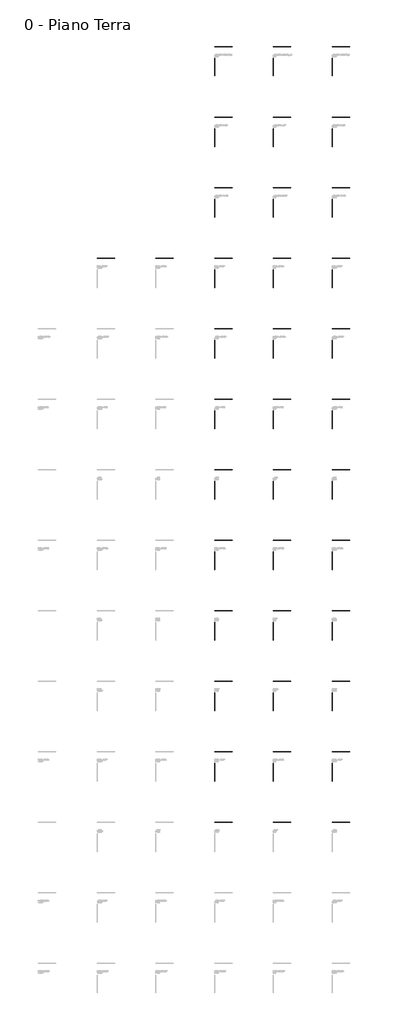
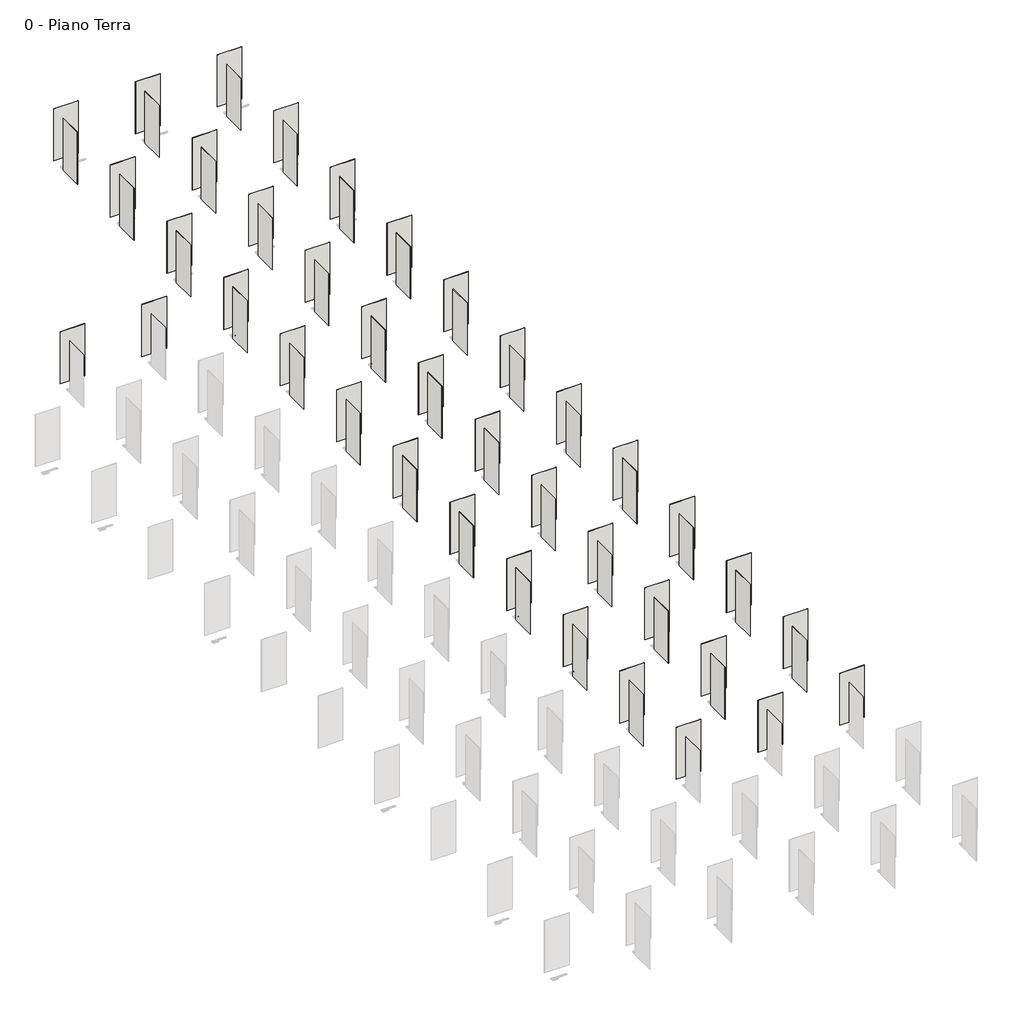
# One storey, part 2 of 35: 71 walls.
"""IFC4 building model written with IfcOpenShell, lengths in millimetres."""

from ifc_helpers import new_model, si_unit, origin, origin_with_axes, place, context, project, spatial, polyline, outline, extrude, element, save

model = new_model("IFC4")

# Units and contexts
model_context = context("Model", 3, world=origin())
ifc_project = project(units=[si_unit("LENGTHUNIT", "METRE", prefix="MILLI")], contexts=[model_context])

# Site, building, storey
site = spatial("IfcSite", under=ifc_project)
building = spatial("IfcBuilding", under=site)
storey = spatial("IfcBuildingStorey", under=building, Name="0 - Piano Terra", Elevation=0.0)

# Walls
placement = place(None, origin())
element("IfcWall", 1, at=placement, inside=storey, context=model_context, shape_type="SweptSolid", body=[
    extrude(outline(polyline([(4220.7418402, 18450.0570886), (2720.7418402, 18450.0570886), (2720.7418402, 18462.0570886), (4220.7418402, 18462.0570886), (4220.7418402, 18450.0570886)])), origin_with_axes(), (0.0, 0.0, 1.0), 3365.0),
])
element("IfcWall", 2, at=placement, inside=storey, context=model_context, shape_type="SweptSolid", body=[
    extrude(outline(polyline([(9220.7418402, 18450.0570886), (7720.7418402, 18450.0570886), (7720.7418402, 18462.0570886), (9220.7418402, 18462.0570886), (9220.7418402, 18450.0570886)])), origin_with_axes(), (0.0, 0.0, 1.0), 3365.0),
])
element("IfcWall", 3, at=placement, inside=storey, context=model_context, shape_type="SweptSolid", body=[
    extrude(outline(polyline([(14220.7418402, 18450.0570886), (12720.7418402, 18450.0570886), (12720.7418402, 18462.0570886), (14220.7418402, 18462.0570886), (14220.7418402, 18450.0570886)])), origin_with_axes(), (0.0, 0.0, 1.0), 3365.0),
])
element("IfcWall", 4, at=placement, inside=storey, context=model_context, shape_type="SweptSolid", body=[
    extrude(outline(polyline([(4220.7418402, 12450.0570886), (2720.7418402, 12450.0570886), (2720.7418402, 12462.0570886), (4220.7418402, 12462.0570886), (4220.7418402, 12450.0570886)])), origin_with_axes(), (0.0, 0.0, 1.0), 3365.0),
])
element("IfcWall", 5, at=placement, inside=storey, context=model_context, shape_type="SweptSolid", body=[
    extrude(outline(polyline([(9220.7418402, 12450.0570886), (7720.7418402, 12450.0570886), (7720.7418402, 12462.0570886), (9220.7418402, 12462.0570886), (9220.7418402, 12450.0570886)])), origin_with_axes(), (0.0, 0.0, 1.0), 3365.0),
])
element("IfcWall", 6, at=placement, inside=storey, context=model_context, shape_type="SweptSolid", body=[
    extrude(outline(polyline([(14220.7418402, 12450.0570886), (12720.7418402, 12450.0570886), (12720.7418402, 12462.0570886), (14220.7418402, 12462.0570886), (14220.7418402, 12450.0570886)])), origin_with_axes(), (0.0, 0.0, 1.0), 3365.0),
])
element("IfcWall", 7, at=placement, inside=storey, context=model_context, shape_type="SweptSolid", body=[
    extrude(outline(polyline([(4220.7418402, 6450.0570886), (2720.7418402, 6450.0570886), (2720.7418402, 6462.0570886), (4220.7418402, 6462.0570886), (4220.7418402, 6450.0570886)])), origin_with_axes(), (0.0, 0.0, 1.0), 3365.0),
])
element("IfcWall", 8, at=placement, inside=storey, context=model_context, shape_type="SweptSolid", body=[
    extrude(outline(polyline([(9220.7418402, 6450.0570886), (7720.7418402, 6450.0570886), (7720.7418402, 6462.0570886), (9220.7418402, 6462.0570886), (9220.7418402, 6450.0570886)])), origin_with_axes(), (0.0, 0.0, 1.0), 3365.0),
])
element("IfcWall", 9, at=placement, inside=storey, context=model_context, shape_type="SweptSolid", body=[
    extrude(outline(polyline([(14220.7418402, 6450.0570886), (12720.7418402, 6450.0570886), (12720.7418402, 6462.0570886), (14220.7418402, 6462.0570886), (14220.7418402, 6450.0570886)])), origin_with_axes(), (0.0, 0.0, 1.0), 3365.0),
])
element("IfcWall", 10, at=placement, inside=storey, context=model_context, shape_type="SweptSolid", body=[
    extrude(outline(polyline([(4220.7418402, 450.0570886), (2720.7418402, 450.0570886), (2720.7418402, 462.0570886), (4220.7418402, 462.0570886), (4220.7418402, 450.0570886)])), origin_with_axes(), (0.0, 0.0, 1.0), 3365.0),
])
element("IfcWall", 11, at=placement, inside=storey, context=model_context, shape_type="SweptSolid", body=[
    extrude(outline(polyline([(9220.7418402, 450.0570886), (7720.7418402, 450.0570886), (7720.7418402, 462.0570886), (9220.7418402, 462.0570886), (9220.7418402, 450.0570886)])), origin_with_axes(), (0.0, 0.0, 1.0), 3365.0),
])
element("IfcWall", 12, at=placement, inside=storey, context=model_context, shape_type="SweptSolid", body=[
    extrude(outline(polyline([(14220.7418402, 450.0570886), (12720.7418402, 450.0570886), (12720.7418402, 462.0570886), (14220.7418402, 462.0570886), (14220.7418402, 450.0570886)])), origin_with_axes(), (0.0, 0.0, 1.0), 3365.0),
])
element("IfcWall", 13, at=placement, inside=storey, context=model_context, shape_type="SweptSolid", body=[
    extrude(outline(polyline([(-779.2581598, 450.0570886), (-2279.2581598, 450.0570886), (-2279.2581598, 462.0570886), (-779.2581598, 462.0570886), (-779.2581598, 450.0570886)])), origin_with_axes(), (0.0, 0.0, 1.0), 3365.0),
])
element("IfcWall", 14, at=placement, inside=storey, context=model_context, shape_type="SweptSolid", body=[
    extrude(outline(polyline([(-5779.2581598, 450.0570886), (-7279.2581598, 450.0570886), (-7279.2581598, 462.0570886), (-5779.2581598, 462.0570886), (-5779.2581598, 450.0570886)])), origin_with_axes(), (0.0, 0.0, 1.0), 3365.0),
])
element("IfcWall", 15, at=placement, inside=storey, context=model_context, shape_type="SweptSolid", body=[
    extrude(outline(polyline([(9220.7418402, -5549.9429114), (7720.7418402, -5549.9429114), (7720.7418402, -5537.9429114), (9220.7418402, -5537.9429114), (9220.7418402, -5549.9429114)])), origin_with_axes(), (0.0, 0.0, 1.0), 3365.0),
])
element("IfcWall", 16, at=placement, inside=storey, context=model_context, shape_type="SweptSolid", body=[
    extrude(outline(polyline([(14220.7418402, -5549.9429114), (12720.7418402, -5549.9429114), (12720.7418402, -5537.9429114), (14220.7418402, -5537.9429114), (14220.7418402, -5549.9429114)])), origin_with_axes(), (0.0, 0.0, 1.0), 3365.0),
])
element("IfcWall", 17, at=placement, inside=storey, context=model_context, shape_type="SweptSolid", body=[
    extrude(outline(polyline([(4220.7418402, -11549.9429114), (2720.7418402, -11549.9429114), (2720.7418402, -11537.9429114), (4220.7418402, -11537.9429114), (4220.7418402, -11549.9429114)])), origin_with_axes(), (0.0, 0.0, 1.0), 3365.0),
])
element("IfcWall", 18, at=placement, inside=storey, context=model_context, shape_type="SweptSolid", body=[
    extrude(outline(polyline([(9220.7418402, -11549.9429114), (7720.7418402, -11549.9429114), (7720.7418402, -11537.9429114), (9220.7418402, -11537.9429114), (9220.7418402, -11549.9429114)])), origin_with_axes(), (0.0, 0.0, 1.0), 3365.0),
])
element("IfcWall", 19, at=placement, inside=storey, context=model_context, shape_type="SweptSolid", body=[
    extrude(outline(polyline([(14220.7418402, -11549.9429114), (12720.7418402, -11549.9429114), (12720.7418402, -11537.9429114), (14220.7418402, -11537.9429114), (14220.7418402, -11549.9429114)])), origin_with_axes(), (0.0, 0.0, 1.0), 3365.0),
])
element("IfcWall", 20, at=placement, inside=storey, context=model_context, shape_type="SweptSolid", body=[
    extrude(outline(polyline([(4220.7418402, -17549.9429114), (2720.7418402, -17549.9429114), (2720.7418402, -17537.9429114), (4220.7418402, -17537.9429114), (4220.7418402, -17549.9429114)])), origin_with_axes(), (0.0, 0.0, 1.0), 3365.0),
])
element("IfcWall", 21, at=placement, inside=storey, context=model_context, shape_type="SweptSolid", body=[
    extrude(outline(polyline([(9220.7418402, -17549.9429114), (7720.7418402, -17549.9429114), (7720.7418402, -17537.9429114), (9220.7418402, -17537.9429114), (9220.7418402, -17549.9429114)])), origin_with_axes(), (0.0, 0.0, 1.0), 3365.0),
])
element("IfcWall", 22, at=placement, inside=storey, context=model_context, shape_type="SweptSolid", body=[
    extrude(outline(polyline([(14220.7418402, -17549.9429114), (12720.7418402, -17549.9429114), (12720.7418402, -17537.9429114), (14220.7418402, -17537.9429114), (14220.7418402, -17549.9429114)])), origin_with_axes(), (0.0, 0.0, 1.0), 3365.0),
])
element("IfcWall", 23, at=placement, inside=storey, context=model_context, shape_type="SweptSolid", body=[
    extrude(outline(polyline([(4220.7418402, -23549.9429114), (2720.7418402, -23549.9429114), (2720.7418402, -23537.9429114), (4220.7418402, -23537.9429114), (4220.7418402, -23549.9429114)])), origin_with_axes(), (0.0, 0.0, 1.0), 3365.0),
])
element("IfcWall", 24, at=placement, inside=storey, context=model_context, shape_type="SweptSolid", body=[
    extrude(outline(polyline([(9220.7418402, -23549.9429114), (7720.7418402, -23549.9429114), (7720.7418402, -23537.9429114), (9220.7418402, -23537.9429114), (9220.7418402, -23549.9429114)])), origin_with_axes(), (0.0, 0.0, 1.0), 3365.0),
])
element("IfcWall", 25, at=placement, inside=storey, context=model_context, shape_type="SweptSolid", body=[
    extrude(outline(polyline([(14220.7418402, -23549.9429114), (12720.7418402, -23549.9429114), (12720.7418402, -23537.9429114), (14220.7418402, -23537.9429114), (14220.7418402, -23549.9429114)])), origin_with_axes(), (0.0, 0.0, 1.0), 3365.0),
])
element("IfcWall", 26, at=placement, inside=storey, context=model_context, shape_type="SweptSolid", body=[
    extrude(outline(polyline([(4220.7418402, -29549.9429114), (2720.7418402, -29549.9429114), (2720.7418402, -29537.9429114), (4220.7418402, -29537.9429114), (4220.7418402, -29549.9429114)])), origin_with_axes(), (0.0, 0.0, 1.0), 3365.0),
])
element("IfcWall", 27, at=placement, inside=storey, context=model_context, shape_type="SweptSolid", body=[
    extrude(outline(polyline([(9220.7418402, -29549.9429114), (7720.7418402, -29549.9429114), (7720.7418402, -29537.9429114), (9220.7418402, -29537.9429114), (9220.7418402, -29549.9429114)])), origin_with_axes(), (0.0, 0.0, 1.0), 3365.0),
])
element("IfcWall", 28, at=placement, inside=storey, context=model_context, shape_type="SweptSolid", body=[
    extrude(outline(polyline([(14220.7418402, -29549.9429114), (12720.7418402, -29549.9429114), (12720.7418402, -29537.9429114), (14220.7418402, -29537.9429114), (14220.7418402, -29549.9429114)])), origin_with_axes(), (0.0, 0.0, 1.0), 3365.0),
])
element("IfcWall", 29, at=placement, inside=storey, context=model_context, shape_type="SweptSolid", body=[
    extrude(outline(polyline([(4220.7418402, -35549.9429114), (2720.7418402, -35549.9429114), (2720.7418402, -35537.9429114), (4220.7418402, -35537.9429114), (4220.7418402, -35549.9429114)])), origin_with_axes(), (0.0, 0.0, 1.0), 3365.0),
])
element("IfcWall", 30, at=placement, inside=storey, context=model_context, shape_type="SweptSolid", body=[
    extrude(outline(polyline([(9220.7418402, -35549.9429114), (7720.7418402, -35549.9429114), (7720.7418402, -35537.9429114), (9220.7418402, -35537.9429114), (9220.7418402, -35549.9429114)])), origin_with_axes(), (0.0, 0.0, 1.0), 3365.0),
])
element("IfcWall", 31, at=placement, inside=storey, context=model_context, shape_type="SweptSolid", body=[
    extrude(outline(polyline([(14220.7418402, -35549.9429114), (12720.7418402, -35549.9429114), (12720.7418402, -35537.9429114), (14220.7418402, -35537.9429114), (14220.7418402, -35549.9429114)])), origin_with_axes(), (0.0, 0.0, 1.0), 3365.0),
])
element("IfcWall", 32, at=placement, inside=storey, context=model_context, shape_type="SweptSolid", body=[
    extrude(outline(polyline([(4220.7418402, -41549.9429114), (2720.7418402, -41549.9429114), (2720.7418402, -41537.9429114), (4220.7418402, -41537.9429114), (4220.7418402, -41549.9429114)])), origin_with_axes(), (0.0, 0.0, 1.0), 3365.0),
])
element("IfcWall", 33, at=placement, inside=storey, context=model_context, shape_type="SweptSolid", body=[
    extrude(outline(polyline([(9220.7418402, -41549.9429114), (7720.7418402, -41549.9429114), (7720.7418402, -41537.9429114), (9220.7418402, -41537.9429114), (9220.7418402, -41549.9429114)])), origin_with_axes(), (0.0, 0.0, 1.0), 3365.0),
])
element("IfcWall", 34, at=placement, inside=storey, context=model_context, shape_type="SweptSolid", body=[
    extrude(outline(polyline([(14220.7418402, -41549.9429114), (12720.7418402, -41549.9429114), (12720.7418402, -41537.9429114), (14220.7418402, -41537.9429114), (14220.7418402, -41549.9429114)])), origin_with_axes(), (0.0, 0.0, 1.0), 3365.0),
])
element("IfcWall", 35, at=placement, inside=storey, context=model_context, shape_type="SweptSolid", body=[
    extrude(outline(polyline([(4220.7418402, -47549.9429114), (2720.7418402, -47549.9429114), (2720.7418402, -47537.9429114), (4220.7418402, -47537.9429114), (4220.7418402, -47549.9429114)])), origin_with_axes(), (0.0, 0.0, 1.0), 3365.0),
])
element("IfcWall", 36, at=placement, inside=storey, context=model_context, shape_type="SweptSolid", body=[
    extrude(outline(polyline([(9220.7418402, -47549.9429114), (7720.7418402, -47549.9429114), (7720.7418402, -47537.9429114), (9220.7418402, -47537.9429114), (9220.7418402, -47549.9429114)])), origin_with_axes(), (0.0, 0.0, 1.0), 3365.0),
])
element("IfcWall", 37, at=placement, inside=storey, context=model_context, shape_type="SweptSolid", body=[
    extrude(outline(polyline([(14220.7418402, -47549.9429114), (12720.7418402, -47549.9429114), (12720.7418402, -47537.9429114), (14220.7418402, -47537.9429114), (14220.7418402, -47549.9429114)])), origin_with_axes(), (0.0, 0.0, 1.0), 3365.0),
])
element("IfcWall", 38, at=placement, inside=storey, context=model_context, shape_type="SweptSolid", body=[
    extrude(outline(polyline([(4220.7418402, -5549.9429114), (2720.7418402, -5549.9429114), (2720.7418402, -5537.9429114), (4220.7418402, -5537.9429114), (4220.7418402, -5549.9429114)])), origin_with_axes(), (0.0, 0.0, 1.0), 3365.0),
])
element("IfcWall", 39, at=placement, inside=storey, context=model_context, shape_type="SweptSolid", body=[
    extrude(outline(polyline([(2714.7418402, 15956.0570886), (2714.7418402, 17456.0570886), (2726.7418402, 17456.0570886), (2726.7418402, 15956.0570886), (2714.7418402, 15956.0570886)])), origin_with_axes(), (0.0, 0.0, 1.0), 3365.0),
])
element("IfcWall", 40, at=placement, inside=storey, context=model_context, shape_type="SweptSolid", body=[
    extrude(outline(polyline([(7714.7418402, 15956.0570886), (7714.7418402, 17456.0570886), (7726.7418402, 17456.0570886), (7726.7418402, 15956.0570886), (7714.7418402, 15956.0570886)])), origin_with_axes(), (0.0, 0.0, 1.0), 3365.0),
])
element("IfcWall", 41, at=placement, inside=storey, context=model_context, shape_type="SweptSolid", body=[
    extrude(outline(polyline([(12714.7418402, 15956.0570886), (12714.7418402, 17456.0570886), (12726.7418402, 17456.0570886), (12726.7418402, 15956.0570886), (12714.7418402, 15956.0570886)])), origin_with_axes(), (0.0, 0.0, 1.0), 3365.0),
])
element("IfcWall", 42, at=placement, inside=storey, context=model_context, shape_type="SweptSolid", body=[
    extrude(outline(polyline([(2714.7418402, 9956.0570886), (2714.7418402, 11456.0570886), (2726.7418402, 11456.0570886), (2726.7418402, 9956.0570886), (2714.7418402, 9956.0570886)])), origin_with_axes(), (0.0, 0.0, 1.0), 3365.0),
])
element("IfcWall", 43, at=placement, inside=storey, context=model_context, shape_type="SweptSolid", body=[
    extrude(outline(polyline([(7714.7418402, 9956.0570886), (7714.7418402, 11456.0570886), (7726.7418402, 11456.0570886), (7726.7418402, 9956.0570886), (7714.7418402, 9956.0570886)])), origin_with_axes(), (0.0, 0.0, 1.0), 3365.0),
])
element("IfcWall", 44, at=placement, inside=storey, context=model_context, shape_type="SweptSolid", body=[
    extrude(outline(polyline([(12714.7418402, 9956.0570886), (12714.7418402, 11456.0570886), (12726.7418402, 11456.0570886), (12726.7418402, 9956.0570886), (12714.7418402, 9956.0570886)])), origin_with_axes(), (0.0, 0.0, 1.0), 3365.0),
])
element("IfcWall", 45, at=placement, inside=storey, context=model_context, shape_type="SweptSolid", body=[
    extrude(outline(polyline([(2714.7418402, 3956.0570886), (2714.7418402, 5456.0570886), (2726.7418402, 5456.0570886), (2726.7418402, 3956.0570886), (2714.7418402, 3956.0570886)])), origin_with_axes(), (0.0, 0.0, 1.0), 3365.0),
])
element("IfcWall", 46, at=placement, inside=storey, context=model_context, shape_type="SweptSolid", body=[
    extrude(outline(polyline([(7714.7418402, 3956.0570886), (7714.7418402, 5456.0570886), (7726.7418402, 5456.0570886), (7726.7418402, 3956.0570886), (7714.7418402, 3956.0570886)])), origin_with_axes(), (0.0, 0.0, 1.0), 3365.0),
])
element("IfcWall", 47, at=placement, inside=storey, context=model_context, shape_type="SweptSolid", body=[
    extrude(outline(polyline([(12714.7418402, 3956.0570886), (12714.7418402, 5456.0570886), (12726.7418402, 5456.0570886), (12726.7418402, 3956.0570886), (12714.7418402, 3956.0570886)])), origin_with_axes(), (0.0, 0.0, 1.0), 3365.0),
])
element("IfcWall", 48, at=placement, inside=storey, context=model_context, shape_type="SweptSolid", body=[
    extrude(outline(polyline([(2714.7418402, -2043.9429114), (2714.7418402, -543.9429114), (2726.7418402, -543.9429114), (2726.7418402, -2043.9429114), (2714.7418402, -2043.9429114)])), origin_with_axes(), (0.0, 0.0, 1.0), 3365.0),
])
element("IfcWall", 49, at=placement, inside=storey, context=model_context, shape_type="SweptSolid", body=[
    extrude(outline(polyline([(7714.7418402, -2043.9429114), (7714.7418402, -543.9429114), (7726.7418402, -543.9429114), (7726.7418402, -2043.9429114), (7714.7418402, -2043.9429114)])), origin_with_axes(), (0.0, 0.0, 1.0), 3365.0),
])
element("IfcWall", 50, at=placement, inside=storey, context=model_context, shape_type="SweptSolid", body=[
    extrude(outline(polyline([(12714.7418402, -2043.9429114), (12714.7418402, -543.9429114), (12726.7418402, -543.9429114), (12726.7418402, -2043.9429114), (12714.7418402, -2043.9429114)])), origin_with_axes(), (0.0, 0.0, 1.0), 3365.0),
])
element("IfcWall", 51, at=placement, inside=storey, context=model_context, shape_type="SweptSolid", body=[
    extrude(outline(polyline([(2714.7418402, -8043.9429114), (2714.7418402, -6543.9429114), (2726.7418402, -6543.9429114), (2726.7418402, -8043.9429114), (2714.7418402, -8043.9429114)])), origin_with_axes(), (0.0, 0.0, 1.0), 3365.0),
])
element("IfcWall", 52, at=placement, inside=storey, context=model_context, shape_type="SweptSolid", body=[
    extrude(outline(polyline([(7714.7418402, -8043.9429114), (7714.7418402, -6543.9429114), (7726.7418402, -6543.9429114), (7726.7418402, -8043.9429114), (7714.7418402, -8043.9429114)])), origin_with_axes(), (0.0, 0.0, 1.0), 3365.0),
])
element("IfcWall", 53, at=placement, inside=storey, context=model_context, shape_type="SweptSolid", body=[
    extrude(outline(polyline([(12714.7418402, -8043.9429114), (12714.7418402, -6543.9429114), (12726.7418402, -6543.9429114), (12726.7418402, -8043.9429114), (12714.7418402, -8043.9429114)])), origin_with_axes(), (0.0, 0.0, 1.0), 3365.0),
])
element("IfcWall", 54, at=placement, inside=storey, context=model_context, shape_type="SweptSolid", body=[
    extrude(outline(polyline([(2714.7418402, -14043.9429114), (2714.7418402, -12543.9429114), (2726.7418402, -12543.9429114), (2726.7418402, -14043.9429114), (2714.7418402, -14043.9429114)])), origin_with_axes(), (0.0, 0.0, 1.0), 3365.0),
])
element("IfcWall", 55, at=placement, inside=storey, context=model_context, shape_type="SweptSolid", body=[
    extrude(outline(polyline([(7714.7418402, -14043.9429114), (7714.7418402, -12543.9429114), (7726.7418402, -12543.9429114), (7726.7418402, -14043.9429114), (7714.7418402, -14043.9429114)])), origin_with_axes(), (0.0, 0.0, 1.0), 3365.0),
])
element("IfcWall", 56, at=placement, inside=storey, context=model_context, shape_type="SweptSolid", body=[
    extrude(outline(polyline([(12714.7418402, -14043.9429114), (12714.7418402, -12543.9429114), (12726.7418402, -12543.9429114), (12726.7418402, -14043.9429114), (12714.7418402, -14043.9429114)])), origin_with_axes(), (0.0, 0.0, 1.0), 3365.0),
])
element("IfcWall", 57, at=placement, inside=storey, context=model_context, shape_type="SweptSolid", body=[
    extrude(outline(polyline([(2714.7418402, -20043.9429114), (2714.7418402, -18543.9429114), (2726.7418402, -18543.9429114), (2726.7418402, -20043.9429114), (2714.7418402, -20043.9429114)])), origin_with_axes(), (0.0, 0.0, 1.0), 3365.0),
])
element("IfcWall", 58, at=placement, inside=storey, context=model_context, shape_type="SweptSolid", body=[
    extrude(outline(polyline([(7714.7418402, -20043.9429114), (7714.7418402, -18543.9429114), (7726.7418402, -18543.9429114), (7726.7418402, -20043.9429114), (7714.7418402, -20043.9429114)])), origin_with_axes(), (0.0, 0.0, 1.0), 3365.0),
])
element("IfcWall", 59, at=placement, inside=storey, context=model_context, shape_type="SweptSolid", body=[
    extrude(outline(polyline([(12714.7418402, -20043.9429114), (12714.7418402, -18543.9429114), (12726.7418402, -18543.9429114), (12726.7418402, -20043.9429114), (12714.7418402, -20043.9429114)])), origin_with_axes(), (0.0, 0.0, 1.0), 3365.0),
])
element("IfcWall", 60, at=placement, inside=storey, context=model_context, shape_type="SweptSolid", body=[
    extrude(outline(polyline([(2714.7418402, -26043.9429114), (2714.7418402, -24543.9429114), (2726.7418402, -24543.9429114), (2726.7418402, -26043.9429114), (2714.7418402, -26043.9429114)])), origin_with_axes(), (0.0, 0.0, 1.0), 3365.0),
])
element("IfcWall", 61, at=placement, inside=storey, context=model_context, shape_type="SweptSolid", body=[
    extrude(outline(polyline([(7714.7418402, -26043.9429114), (7714.7418402, -24543.9429114), (7726.7418402, -24543.9429114), (7726.7418402, -26043.9429114), (7714.7418402, -26043.9429114)])), origin_with_axes(), (0.0, 0.0, 1.0), 3365.0),
])
element("IfcWall", 62, at=placement, inside=storey, context=model_context, shape_type="SweptSolid", body=[
    extrude(outline(polyline([(12714.7418402, -26043.9429114), (12714.7418402, -24543.9429114), (12726.7418402, -24543.9429114), (12726.7418402, -26043.9429114), (12714.7418402, -26043.9429114)])), origin_with_axes(), (0.0, 0.0, 1.0), 3365.0),
])
element("IfcWall", 63, at=placement, inside=storey, context=model_context, shape_type="SweptSolid", body=[
    extrude(outline(polyline([(2714.7418402, -32043.9429114), (2714.7418402, -30543.9429114), (2726.7418402, -30543.9429114), (2726.7418402, -32043.9429114), (2714.7418402, -32043.9429114)])), origin_with_axes(), (0.0, 0.0, 1.0), 3365.0),
])
element("IfcWall", 64, at=placement, inside=storey, context=model_context, shape_type="SweptSolid", body=[
    extrude(outline(polyline([(7714.7418402, -32043.9429114), (7714.7418402, -30543.9429114), (7726.7418402, -30543.9429114), (7726.7418402, -32043.9429114), (7714.7418402, -32043.9429114)])), origin_with_axes(), (0.0, 0.0, 1.0), 3365.0),
])
element("IfcWall", 65, at=placement, inside=storey, context=model_context, shape_type="SweptSolid", body=[
    extrude(outline(polyline([(12714.7418402, -32043.9429114), (12714.7418402, -30543.9429114), (12726.7418402, -30543.9429114), (12726.7418402, -32043.9429114), (12714.7418402, -32043.9429114)])), origin_with_axes(), (0.0, 0.0, 1.0), 3365.0),
])
element("IfcWall", 66, at=placement, inside=storey, context=model_context, shape_type="SweptSolid", body=[
    extrude(outline(polyline([(2714.7418402, -38043.9429114), (2714.7418402, -36543.9429114), (2726.7418402, -36543.9429114), (2726.7418402, -38043.9429114), (2714.7418402, -38043.9429114)])), origin_with_axes(), (0.0, 0.0, 1.0), 3365.0),
])
element("IfcWall", 67, at=placement, inside=storey, context=model_context, shape_type="SweptSolid", body=[
    extrude(outline(polyline([(7714.7418402, -38043.9429114), (7714.7418402, -36543.9429114), (7726.7418402, -36543.9429114), (7726.7418402, -38043.9429114), (7714.7418402, -38043.9429114)])), origin_with_axes(), (0.0, 0.0, 1.0), 3365.0),
])
element("IfcWall", 68, at=placement, inside=storey, context=model_context, shape_type="SweptSolid", body=[
    extrude(outline(polyline([(12714.7418402, -38043.9429114), (12714.7418402, -36543.9429114), (12726.7418402, -36543.9429114), (12726.7418402, -38043.9429114), (12714.7418402, -38043.9429114)])), origin_with_axes(), (0.0, 0.0, 1.0), 3365.0),
])
element("IfcWall", 69, at=placement, inside=storey, context=model_context, shape_type="SweptSolid", body=[
    extrude(outline(polyline([(2714.7418402, -44043.9429114), (2714.7418402, -42543.9429114), (2726.7418402, -42543.9429114), (2726.7418402, -44043.9429114), (2714.7418402, -44043.9429114)])), origin_with_axes(), (0.0, 0.0, 1.0), 3365.0),
])
element("IfcWall", 70, at=placement, inside=storey, context=model_context, shape_type="SweptSolid", body=[
    extrude(outline(polyline([(7714.7418402, -44043.9429114), (7714.7418402, -42543.9429114), (7726.7418402, -42543.9429114), (7726.7418402, -44043.9429114), (7714.7418402, -44043.9429114)])), origin_with_axes(), (0.0, 0.0, 1.0), 3365.0),
])
element("IfcWall", 71, at=placement, inside=storey, context=model_context, shape_type="SweptSolid", body=[
    extrude(outline(polyline([(12714.7418402, -44043.9429114), (12714.7418402, -42543.9429114), (12726.7418402, -42543.9429114), (12726.7418402, -44043.9429114), (12714.7418402, -44043.9429114)])), origin_with_axes(), (0.0, 0.0, 1.0), 3365.0),
])

save(model, "model.ifc")
